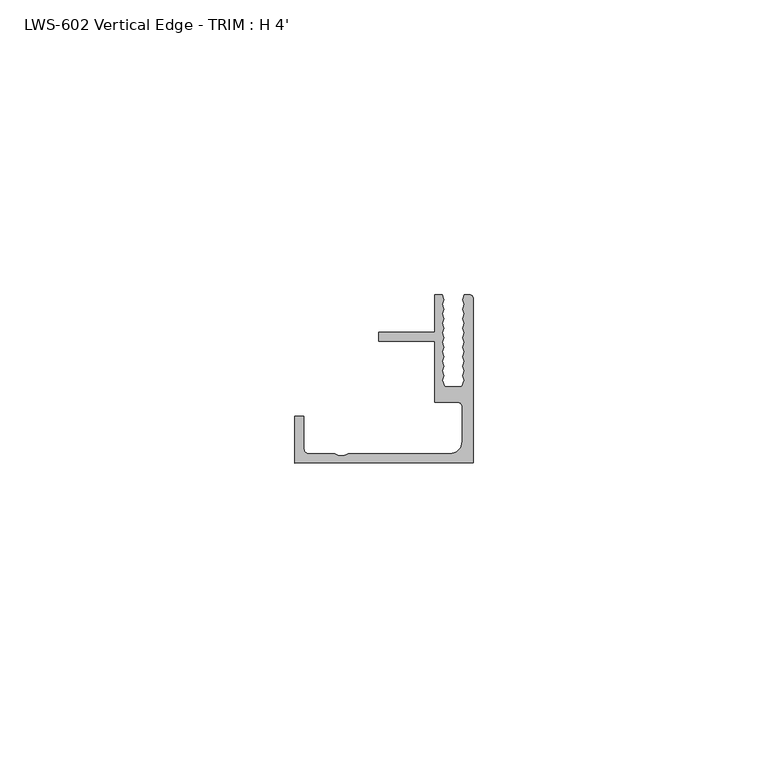
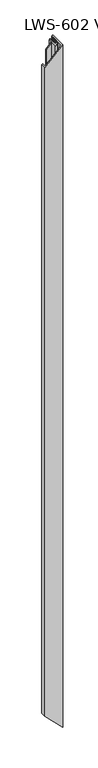
"""IFC4 building model written with IfcOpenShell, lengths in millimetres: proxy geometry, LWS-602 Vertical Edge - TRIM : H 4'."""

import ifcopenshell
import ifcopenshell.guid

model = None  # the IFC model being written
_history = None  # IfcOwnerHistory: only IFC2X3 demands one
_inside = {}  # id of a spatial element -> (the spatial element, [elements in it])
_under = {}  # id of a project, library or spatial element -> (it, [spatial elements below it])
_declared = {}  # id of a project -> (the project, [libraries it declares])
_typed = {}  # id of a type object -> (the type object, [elements of that type])
_made_of = {}  # id of a material, layer set ... -> (it, [elements and type objects made of it])


def new_model(schema):
    """Start an empty IFC model of exactly this schema.

    Asked for "IFC4X3", IfcOpenShell would pick the latest addendum, in which some entities
    have other attributes; the version numbers below select the first issue.
    IFC2X3 requires an IfcOwnerHistory on every rooted entity: one is made here for all.
    """
    global model, _history
    if schema == "IFC4X3":
        model = ifcopenshell.file(schema_version=(4, 3, 0, 0))
    else:
        model = ifcopenshell.file(schema=schema)
    _inside.clear()
    _under.clear()
    _declared.clear()
    _typed.clear()
    _made_of.clear()
    _history = None
    if model.schema == "IFC2X3":
        org = make("IfcOrganization", Name="unknown")
        user = make(
            "IfcPersonAndOrganization",
            ThePerson=make("IfcPerson", FamilyName="unknown"),
            TheOrganization=org,
        )
        app = make(
            "IfcApplication",
            ApplicationDeveloper=org,
            Version="unknown",
            ApplicationFullName="unknown",
            ApplicationIdentifier="unknown",
        )
        _history = make(
            "IfcOwnerHistory",
            OwningUser=user,
            OwningApplication=app,
            ChangeAction="ADDED",
            CreationDate=0,
        )
    return model


def make(cls, **values):
    """One entity of the class cls with the attributes given. An attribute that is None is left unset."""
    return model.create_entity(
        cls, **{name: value for name, value in values.items() if value is not None}
    )


def rooted(cls, **values):
    """An entity with a GlobalId (a new one), such as an element, a storey or a relation."""
    return make(cls, GlobalId=ifcopenshell.guid.new(), OwnerHistory=_history, **values)


def si_unit(unit_type, name, prefix=None):
    """IfcSIUnit, for example si_unit("LENGTHUNIT", "METRE", prefix="MILLI")."""
    return make("IfcSIUnit", UnitType=unit_type, Prefix=prefix, Name=name)


def assignment(units):
    """IfcUnitAssignment: the units of a project."""
    return None if units is None else make("IfcUnitAssignment", Units=units)


def point(xyz):
    """IfcCartesianPoint."""
    return None if xyz is None else make("IfcCartesianPoint", Coordinates=xyz)


def direction(xyz):
    """IfcDirection."""
    return None if xyz is None else make("IfcDirection", DirectionRatios=xyz)


def frame(location, z_axis=None, x_axis=None):
    """IfcAxis2Placement3D, a coordinate frame: its origin and axes. An axis left out is left unset."""
    return make(
        "IfcAxis2Placement3D",
        Location=point(location),
        Axis=direction(z_axis),
        RefDirection=direction(x_axis),
    )


def origin():
    """The frame at (0, 0, 0) with its axes left unset."""
    return frame((0.0, 0.0, 0.0))


def place(relative_to, where):
    """IfcLocalPlacement: puts the frame where relative to a parent placement (None: the world)."""
    return make(
        "IfcLocalPlacement", PlacementRelTo=relative_to, RelativePlacement=where
    )


def context(
    kind, dimensions, precision=None, world=None, true_north=None, identifier=None
):
    """IfcGeometricRepresentationContext, for example the 3D "Model" context."""
    return make(
        "IfcGeometricRepresentationContext",
        ContextIdentifier=identifier,
        ContextType=kind,
        CoordinateSpaceDimension=dimensions,
        Precision=precision,
        WorldCoordinateSystem=world,
        TrueNorth=true_north,
    )


def project(units=None, contexts=None):
    """IfcProject with its units and contexts."""
    return rooted(
        "IfcProject",
        Name="project",
        RepresentationContexts=contexts,
        UnitsInContext=assignment(units),
    )


def spatial(cls, under=None, at=None, **own):
    """A site, building, storey or space (cls), placed at a placement, below another one or the project."""
    s = rooted(cls, ObjectPlacement=at, **own)
    if under is not None:
        _under.setdefault(under.id(), (under, []))[1].append(s)
    return s


def polyline(points):
    """IfcPolyline through the points."""
    return make("IfcPolyline", Points=[point(p) for p in points])


def ellipse_curve(where, semi_axis1, semi_axis2):
    """IfcEllipse in the frame where."""
    return make(
        "IfcEllipse", Position=where, SemiAxis1=semi_axis1, SemiAxis2=semi_axis2
    )


def shape(context_of_items, identifier, shape_type, items):
    """IfcShapeRepresentation: the items that make up one representation, for example the "Body"."""
    return make(
        "IfcShapeRepresentation",
        ContextOfItems=context_of_items,
        RepresentationIdentifier=identifier,
        RepresentationType=shape_type,
        Items=items,
    )


def source(mapping_origin, context_of_items, identifier, shape_type, items):
    """IfcRepresentationMap: a shape defined once, which mapped items show again and again."""
    return make(
        "IfcRepresentationMap",
        MappingOrigin=mapping_origin,
        MappedRepresentation=shape(context_of_items, identifier, shape_type, items),
    )


def transform(
    local_origin,
    x_axis=None,
    y_axis=None,
    z_axis=None,
    scale=None,
    scale2=None,
    scale3=None,
    uniform=True,
):
    """IfcCartesianTransformationOperator3D, or its non-uniform kind. x_axis, y_axis, z_axis: its Axis1, 2, 3."""
    if uniform:
        return make(
            "IfcCartesianTransformationOperator3D",
            Axis1=direction(x_axis),
            Axis2=direction(y_axis),
            LocalOrigin=point(local_origin),
            Scale=scale,
            Axis3=direction(z_axis),
        )
    return make(
        "IfcCartesianTransformationOperator3DnonUniform",
        Axis1=direction(x_axis),
        Axis2=direction(y_axis),
        LocalOrigin=point(local_origin),
        Scale=scale,
        Axis3=direction(z_axis),
        Scale2=scale2,
        Scale3=scale3,
    )


def mapped(mapping_source, mapping_target):
    """IfcMappedItem: shows the shape of a source again, moved by a transform."""
    return make(
        "IfcMappedItem", MappingSource=mapping_source, MappingTarget=mapping_target
    )


def made_of(thing, what):
    """Note that an element or type object is made of a material, layer set ...; save() writes the relation."""
    if what is not None:
        _made_of.setdefault(what.id(), (what, []))[1].append(thing)
    return thing


def element(
    cls,
    number,
    at=None,
    inside=None,
    cuts=None,
    type_object=None,
    material=None,
    context=None,
    identifier="Body",
    shape_type=None,
    held_by="IfcProductDefinitionShape",
    body=None,
    shapes=None,
    **own,
):
    """One element of the class cls, such as IfcWall. Its Tag is "e" and its number.

    at: its placement. inside: the storey or other place that contains it. cuts: it is an
    opening in that element (IfcRelVoidsElement). A single representation is given by context,
    identifier, shape_type and body (its items); several are given by shapes. held_by: the class
    of the entity that holds the representations. save() writes the other relations.
    """
    e = rooted(cls, Tag="e%d" % number, ObjectPlacement=at, **own)
    if body is not None:
        shapes = [shape(context, identifier, shape_type, body)]
    if shapes is not None:
        e.Representation = make(held_by, Representations=shapes)
    if inside is not None:
        _inside.setdefault(inside.id(), (inside, []))[1].append(e)
    if cuts is not None:
        rooted(
            "IfcRelVoidsElement", RelatingBuildingElement=cuts, RelatedOpeningElement=e
        )
    if type_object is not None:
        _typed.setdefault(type_object.id(), (type_object, []))[1].append(e)
    return made_of(e, material)


def aggregate(whole, parts):
    """IfcRelAggregates: a whole, such as a stair, and the parts it consists of."""
    return rooted("IfcRelAggregates", RelatingObject=whole, RelatedObjects=parts)


def save(model, path):
    """Write the relations noted so far, then the file.

    IfcRelAggregates (storeys below a building ...), IfcRelContainedInSpatialStructure (elements
    in a storey), IfcRelDefinesByType, IfcRelAssociatesMaterial and IfcRelDeclares: one each for
    every whole, place, type object, material and project.
    """
    for whole, parts in _under.values():
        aggregate(whole, parts)
    for where, things in _inside.values():
        rooted(
            "IfcRelContainedInSpatialStructure",
            RelatedElements=things,
            RelatingStructure=where,
        )
    for kind, things in _typed.values():
        rooted("IfcRelDefinesByType", RelatedObjects=things, RelatingType=kind)
    for what, things in _made_of.values():
        rooted("IfcRelAssociatesMaterial", RelatedObjects=things, RelatingMaterial=what)
    for by, libraries in _declared.values():
        rooted("IfcRelDeclares", RelatingContext=by, RelatedDefinitions=libraries)
    model.write(path)


def plane_surface(at):
    """IfcPlane: the flat surface through the origin of the frame at, square to its z axis."""
    return make("IfcPlane", Position=at)


def cylinder_surface(at, radius):
    """IfcCylindricalSurface: all points at the distance radius from the z axis of the frame at."""
    return make("IfcCylindricalSurface", Position=at, Radius=radius)


def revolved_surface(curve, axis_point, axis_direction):
    """IfcSurfaceOfRevolution: the curve turned about the line through axis_point along axis_direction."""
    return make(
        "IfcSurfaceOfRevolution",
        SweptCurve=make("IfcArbitraryOpenProfileDef", ProfileType="CURVE", Curve=curve),
        AxisPosition=make("IfcAxis1Placement", Location=point(axis_point), Axis=direction(axis_direction)),
    )


def advanced_brep(points, edges, surfaces, faces):
    """IfcAdvancedBrep: a solid bounded by faces that lie on surfaces and meet in shared edges.

    An edge is (start, end): straight between two places in points (the first is 0);
    or (start, end, curve); or (start, end, curve, False) where it runs against its curve.
    A face is (place in surfaces, loops), or (place, loops, False) where it looks against
    its surface's normal. A loop lists edges by number (the first is 1), with a minus sign
    where the edge is run from its end to its start. The first loop is the outer one.
    """
    corners = [point(p) for p in points]
    vertices = [make("IfcVertexPoint", VertexGeometry=c) for c in corners]
    made = []
    for start, end, *more in edges:
        made.append(
            make(
                "IfcEdgeCurve",
                EdgeStart=vertices[start],
                EdgeEnd=vertices[end],
                EdgeGeometry=more[0] if more else make("IfcPolyline", Points=[corners[start], corners[end]]),
                SameSense=more[1] if len(more) > 1 else True,
            )
        )
    hull = []
    for where, loops, *sense in faces:
        bounds = []
        for j, loop in enumerate(loops):
            ring = [make("IfcOrientedEdge", EdgeElement=made[abs(k) - 1], Orientation=k > 0) for k in loop]
            bounds.append(
                make(
                    "IfcFaceOuterBound" if j == 0 else "IfcFaceBound",
                    Bound=make("IfcEdgeLoop", EdgeList=ring),
                    Orientation=True,
                )
            )
        hull.append(make("IfcAdvancedFace", Bounds=bounds, FaceSurface=surfaces[where], SameSense=sense[0] if sense else True))
    return make("IfcAdvancedBrep", Outer=make("IfcClosedShell", CfsFaces=hull))


def lws_602_vertical_edge_trim_h_4_7616fb98(model_context):
    return source(origin(), model_context, "Body", "AdvancedBrep", [
        advanced_brep(
        [(-28.7541017, 2.38252, 1190.4458983), (-27.9590817, 1.5875, 1191.2409183), (-27.9590817, 1.5875, 27.9590817), (-28.7541017, 2.38252, 28.7541017), (-23.5481533, 1.5875, 1195.6518467), (-23.5481533, 1.5875, 23.5481533), (-22.8349382, 1.2699562, 1196.3650618), (-22.8349382, 1.2699562, 22.8349382), (-21.9732651, 1.2699562, 1197.2267349), (-21.9732651, 1.2699562, 21.9732651), (-21.26005, 1.5875, 1197.93995), (-21.26005, 1.5875, 21.26005), (-4.0118983, 1.5875, 1215.1881017), (-4.0118983, 1.5875, 4.0118983), (-1.9163983, 3.683, 1217.2836017), (-1.9163983, 3.683, 1.9163983), (-1.9163983, 9.525, 1217.2836017), (-1.9163983, 9.525, 1.9163983), (-2.7114183, 10.32002, 1216.4885817), (-2.7114183, 10.32002, 2.7114183), (-6.5291017, 10.32002, 1212.6708983), (-6.5291017, 10.32002, 6.5291017), (-6.5291017, 20.6375, 1212.6708983), (-6.5291017, 20.6375, 6.5291017), (-16.0541017, 20.6375, 1203.1458983), (-16.0541017, 20.6375, 16.0541017), (-16.0541017, 22.225, 1203.1458983), (-16.0541017, 22.225, 16.0541017), (-6.5291017, 22.225, 1212.6708983), (-6.5291017, 22.225, 6.5291017), (-6.5291017, 28.575, 1212.6708983), (-6.5291017, 28.575, 6.5291017), (-5.2704999, 28.575, 1213.9295001), (-5.2704999, 28.575, 5.2704999), (-5.0164999, 27.727801, 1214.1835001), (-5.0164999, 27.727801, 5.0164999), (-5.2704999, 26.9589275, 1213.9295001), (-5.2704999, 26.9589275, 5.2704999), (-5.0164999, 26.1117286, 1214.1835001), (-5.0164999, 26.1117286, 5.0164999), (-5.2704999, 25.3428551, 1213.9295001), (-5.2704999, 25.3428551, 5.2704999), (-5.0164999, 24.4956561, 1214.1835001), (-5.0164999, 24.4956561, 5.0164999), (-5.2704999, 23.7267826, 1213.9295001), (-5.2704999, 23.7267826, 5.2704999), (-5.0164999, 22.8795836, 1214.1835001), (-5.0164999, 22.8795836, 5.0164999), (-5.2704999, 22.1107101, 1213.9295001), (-5.2704999, 22.1107101, 5.2704999), (-5.0164999, 21.2635111, 1214.1835001), (-5.0164999, 21.2635111, 5.0164999), (-5.2704999, 20.4946376, 1213.9295001), (-5.2704999, 20.4946376, 5.2704999), (-5.0164999, 19.6474387, 1214.1835001), (-5.0164999, 19.6474387, 5.0164999), (-5.2704999, 18.8785651, 1213.9295001), (-5.2704999, 18.8785651, 5.2704999), (-5.0164999, 18.0313662, 1214.1835001), (-5.0164999, 18.0313662, 5.0164999), (-5.2704999, 17.2624927, 1213.9295001), (-5.2704999, 17.2624927, 5.2704999), (-5.0164999, 16.4152937, 1214.1835001), (-5.0164999, 16.4152937, 5.0164999), (-5.2704999, 15.6464202, 1213.9295001), (-5.2704999, 15.6464202, 5.2704999), (-5.0164999, 14.7992212, 1214.1835001), (-5.0164999, 14.7992212, 5.0164999), (-5.2704999, 14.0303477, 1213.9295001), (-5.2704999, 14.0303477, 5.2704999), (-4.8894997, 12.954, 1214.3105003), (-4.8894997, 12.954, 4.8894997), (-1.9685003, 12.954, 1217.2314997), (-1.9685003, 12.954, 1.9685003), (-1.5875, 14.0303477, 1217.6125), (-1.5875, 14.0303477, 1.5875), (-1.8415, 14.7992212, 1217.3585), (-1.8415, 14.7992212, 1.8415), (-1.5875, 15.6464202, 1217.6125), (-1.5875, 15.6464202, 1.5875), (-1.8415, 16.4152937, 1217.3585), (-1.8415, 16.4152937, 1.8415), (-1.5875, 17.2624927, 1217.6125), (-1.5875, 17.2624927, 1.5875), (-1.8415, 18.0313662, 1217.3585), (-1.8415, 18.0313662, 1.8415), (-1.5875, 18.8785651, 1217.6125), (-1.5875, 18.8785651, 1.5875), (-1.8415, 19.6474387, 1217.3585), (-1.8415, 19.6474387, 1.8415), (-1.5875, 20.4946376, 1217.6125), (-1.5875, 20.4946376, 1.5875), (-1.8415, 21.2635111, 1217.3585), (-1.8415, 21.2635111, 1.8415), (-1.5875, 22.1107101, 1217.6125), (-1.5875, 22.1107101, 1.5875), (-1.8415, 22.8795836, 1217.3585), (-1.8415, 22.8795836, 1.8415), (-1.5875, 23.7267826, 1217.6125), (-1.5875, 23.7267826, 1.5875), (-1.8415, 24.4956561, 1217.3585), (-1.8415, 24.4956561, 1.8415), (-1.5875, 25.3428551, 1217.6125), (-1.5875, 25.3428551, 1.5875), (-1.8415, 26.1117286, 1217.3585), (-1.8415, 26.1117286, 1.8415), (-1.5875, 26.9589275, 1217.6125), (-1.5875, 26.9589275, 1.5875), (-1.8415, 27.727801, 1217.3585), (-1.8415, 27.727801, 1.8415), (-1.5875, 28.575, 1217.6125), (-1.5875, 28.575, 1.5875), (-0.79502, 28.575, 1218.40498), (-0.79502, 28.575, 0.79502), (0.0, 27.77998, 0.0), (0.0, 27.77998, 1219.2), (0.0, 0.0, 1219.2), (0.0, 0.0, 0.0), (-30.3416017, 0.0, 1188.8583983), (-30.3416017, 0.0, 30.3416017), (-30.3416017, 7.9375, 1188.8583983), (-30.3416017, 7.9375, 30.3416017), (-28.7541017, 7.9375, 1190.4458983), (-28.7541017, 7.9375, 28.7541017)],
        [
            (0, 1, ellipse_curve(frame((-27.9590817, 2.38252, 1191.2409183), z_axis=(-0.7071067811865499, 0.0, 0.7071067811865452), x_axis=(-0.7071067811865454, 0.0, -0.7071067811865498)), 1.1243281, 0.79502)),
            (1, 2),
            (2, 3, ellipse_curve(frame((-27.9590817, 2.38252, 27.9590817), z_axis=(-0.7071067811865491, 0.0, -0.7071067811865459), x_axis=(0.707106781186546, 0.0, -0.707106781186549)), 1.1243281, 0.79502)),
            (3, 0),
            (1, 4),
            (4, 5),
            (5, 2),
            (4, 6),
            (6, 7),
            (7, 5),
            (6, 8),
            (8, 9),
            (9, 7),
            (8, 10),
            (10, 11),
            (11, 9),
            (10, 12),
            (12, 13),
            (13, 11),
            (12, 14, ellipse_curve(frame((-4.0118983, 3.683, 1215.1881017), z_axis=(-0.7071067811865499, 0.0, 0.7071067811865452), x_axis=(-0.7071067811865454, 0.0, -0.7071067811865498)), 2.9634845, 2.0955)),
            (14, 15),
            (15, 13, ellipse_curve(frame((-4.0118983, 3.683, 4.0118983), z_axis=(-0.7071067811865491, 0.0, -0.7071067811865459), x_axis=(0.707106781186546, 0.0, -0.707106781186549)), 2.9634845, 2.0955)),
            (14, 16),
            (16, 17),
            (17, 15),
            (16, 18, ellipse_curve(frame((-2.7114183, 9.525, 1216.4885817), z_axis=(-0.7071067811865499, 0.0, 0.7071067811865452), x_axis=(-0.7071067811865454, 0.0, -0.7071067811865498)), 1.1243281, 0.79502)),
            (18, 19),
            (19, 17, ellipse_curve(frame((-2.7114183, 9.525, 2.7114183), z_axis=(-0.7071067811865491, 0.0, -0.7071067811865459), x_axis=(0.707106781186546, 0.0, -0.707106781186549)), 1.1243281, 0.79502)),
            (18, 20),
            (20, 21),
            (21, 19),
            (20, 22),
            (22, 23),
            (23, 21),
            (22, 24),
            (24, 25),
            (25, 23),
            (24, 26),
            (26, 27),
            (27, 25),
            (26, 28),
            (28, 29),
            (29, 27),
            (28, 30),
            (30, 31),
            (31, 29),
            (30, 32),
            (32, 33),
            (33, 31),
            (32, 34),
            (34, 35),
            (35, 33),
            (34, 36),
            (36, 37),
            (37, 35),
            (36, 38),
            (38, 39),
            (39, 37),
            (38, 40),
            (40, 41),
            (41, 39),
            (40, 42),
            (42, 43),
            (43, 41),
            (42, 44),
            (44, 45),
            (45, 43),
            (44, 46),
            (46, 47),
            (47, 45),
            (46, 48),
            (48, 49),
            (49, 47),
            (48, 50),
            (50, 51),
            (51, 49),
            (50, 52),
            (52, 53),
            (53, 51),
            (52, 54),
            (54, 55),
            (55, 53),
            (54, 56),
            (56, 57),
            (57, 55),
            (56, 58),
            (58, 59),
            (59, 57),
            (58, 60),
            (60, 61),
            (61, 59),
            (60, 62),
            (62, 63),
            (63, 61),
            (62, 64),
            (64, 65),
            (65, 63),
            (64, 66),
            (66, 67),
            (67, 65),
            (66, 68),
            (68, 69),
            (69, 67),
            (68, 70),
            (70, 71),
            (71, 69),
            (70, 72),
            (72, 73),
            (73, 71),
            (72, 74),
            (74, 75),
            (75, 73),
            (74, 76),
            (76, 77),
            (77, 75),
            (76, 78),
            (78, 79),
            (79, 77),
            (78, 80),
            (80, 81),
            (81, 79),
            (80, 82),
            (82, 83),
            (83, 81),
            (82, 84),
            (84, 85),
            (85, 83),
            (84, 86),
            (86, 87),
            (87, 85),
            (86, 88),
            (88, 89),
            (89, 87),
            (88, 90),
            (90, 91),
            (91, 89),
            (90, 92),
            (92, 93),
            (93, 91),
            (92, 94),
            (94, 95),
            (95, 93),
            (94, 96),
            (96, 97),
            (97, 95),
            (96, 98),
            (98, 99),
            (99, 97),
            (98, 100),
            (100, 101),
            (101, 99),
            (100, 102),
            (102, 103),
            (103, 101),
            (102, 104),
            (104, 105),
            (105, 103),
            (104, 106),
            (106, 107),
            (107, 105),
            (106, 108),
            (108, 109),
            (109, 107),
            (108, 110),
            (110, 111),
            (111, 109),
            (110, 112),
            (112, 113),
            (113, 111),
            (114, 113, ellipse_curve(frame((-0.79502, 27.77998, 0.79502), z_axis=(0.7071067811865491, 0.0, 0.7071067811865459), x_axis=(-0.707106781186546, 0.0, 0.707106781186549)), 1.1243281, 0.79502)),
            (112, 115, ellipse_curve(frame((-0.79502, 27.77998, 1218.40498), z_axis=(0.7071067811865499, 0.0, -0.7071067811865452), x_axis=(0.7071067811865454, 0.0, 0.7071067811865498)), 1.1243281, 0.79502)),
            (115, 114),
            (115, 116),
            (116, 117),
            (117, 114),
            (116, 118),
            (118, 119),
            (119, 117),
            (118, 120),
            (120, 121),
            (121, 119),
            (120, 122),
            (122, 123),
            (123, 121),
            (3, 123),
            (122, 0),
        ],
        [
            revolved_surface(polyline([(-27.9590817, 3.17754, 27.16406167621141), (-27.9590817, 3.17754, 1192.0359383237885)]), (-27.9590817, 2.38252, 0.0), (0.0, 0.0, -1.0)),
            plane_surface(frame((-27.9590817, 1.5875, 1219.2), z_axis=(0.0, 1.0, 0.0), x_axis=(0.0, 0.0, -1.0))),
            plane_surface(frame((-23.5481533, 1.5875, 1219.2), z_axis=(0.40673664307580587, 0.9135454576425984, 0.0), x_axis=(0.0, 0.0, -1.0))),
            plane_surface(frame((-22.8349382, 1.2699562, 1219.2), z_axis=(0.0, 1.0, 0.0), x_axis=(0.0, 0.0, -1.0))),
            plane_surface(frame((-21.9732651, 1.2699562, 1219.2), z_axis=(-0.4067366430757954, 0.9135454576426031, 0.0), x_axis=(0.0, 0.0, -1.0))),
            plane_surface(frame((-21.26005, 1.5875, 1219.2), z_axis=(0.0, 1.0, 0.0), x_axis=(0.0, 0.0, -1.0))),
            revolved_surface(polyline([(-4.0118983, 5.778499999999999, 1.9163983), (-4.0118983, 5.778499999999999, 1217.2836017)]), (-4.0118983, 3.683, 0.0), (0.0, 0.0, -1.0)),
            plane_surface(frame((-1.9163983, 3.683, 1219.2), z_axis=(-1.0, 0.0, 0.0), x_axis=(0.0, 0.0, -1.0))),
            revolved_surface(polyline([(-2.7114183, 10.32002, 1.9163982762114116), (-2.7114183, 10.32002, 1217.2836017237885)]), (-2.7114183, 9.525, 0.0), (0.0, 0.0, -1.0)),
            plane_surface(frame((-2.7114183, 10.32002, 1219.2), z_axis=(0.0, -1.0, 0.0), x_axis=(0.0, 0.0, -1.0))),
            plane_surface(frame((-6.5291017, 10.32002, 1219.2), z_axis=(-1.0, 0.0, 0.0), x_axis=(0.0, 0.0, -1.0))),
            plane_surface(frame((-6.5291017, 20.6375, 1219.2), z_axis=(0.0, -1.0, 0.0), x_axis=(0.0, 0.0, -1.0))),
            plane_surface(frame((-16.0541017, 20.6375, 1219.2), z_axis=(-1.0, 0.0, 0.0), x_axis=(0.0, 0.0, -1.0))),
            plane_surface(frame((-16.0541017, 22.225, 1219.2), z_axis=(0.0, 1.0, 0.0), x_axis=(0.0, 0.0, -1.0))),
            plane_surface(frame((-6.5291017, 22.225, 1219.2), z_axis=(-1.0, 0.0, 0.0), x_axis=(0.0, 0.0, -1.0))),
            plane_surface(frame((-6.5291017, 28.575, 1219.2), z_axis=(0.0, 1.0, 0.0), x_axis=(0.0, 0.0, -1.0))),
            plane_surface(frame((-5.2704999, 28.575, 1219.2), z_axis=(0.957875962978806, 0.287182241002861, 0.0), x_axis=(0.0, 0.0, -1.0))),
            plane_surface(frame((-5.0164999, 27.727801, 1219.2), z_axis=(0.949528731650732, -0.3136800723185204, 0.0), x_axis=(0.0, 0.0, -1.0))),
            plane_surface(frame((-5.2704999, 26.9589275, 1219.2), z_axis=(0.957875962978805, 0.28718224100286405, 0.0), x_axis=(0.0, 0.0, -1.0))),
            plane_surface(frame((-5.0164999, 26.1117286, 1219.2), z_axis=(0.9495287316507326, -0.3136800723185187, 0.0), x_axis=(0.0, 0.0, -1.0))),
            plane_surface(frame((-5.2704999, 25.3428551, 1219.2), z_axis=(0.9578759629788051, 0.287182241002864, 0.0), x_axis=(0.0, 0.0, -1.0))),
            plane_surface(frame((-5.0164999, 24.4956561, 1219.2), z_axis=(0.9495287316507325, -0.31368007231851897, 0.0), x_axis=(0.0, 0.0, -1.0))),
            plane_surface(frame((-5.2704999, 23.7267826, 1219.2), z_axis=(0.9578759629788056, 0.28718224100286194, 0.0), x_axis=(0.0, 0.0, -1.0))),
            plane_surface(frame((-5.0164999, 22.8795836, 1219.2), z_axis=(0.9495287316507326, -0.3136800723185189, 0.0), x_axis=(0.0, 0.0, -1.0))),
            plane_surface(frame((-5.2704999, 22.1107101, 1219.2), z_axis=(0.9578759629788056, 0.2871822410028619, 0.0), x_axis=(0.0, 0.0, -1.0))),
            plane_surface(frame((-5.0164999, 21.2635111, 1219.2), z_axis=(0.9495287316507327, -0.3136800723185185, 0.0), x_axis=(0.0, 0.0, -1.0))),
            plane_surface(frame((-5.2704999, 20.4946376, 1219.2), z_axis=(0.9578759629788056, 0.2871822410028621, 0.0), x_axis=(0.0, 0.0, -1.0))),
            plane_surface(frame((-5.0164999, 19.6474387, 1219.2), z_axis=(0.9495287316507324, -0.31368007231851935, 0.0), x_axis=(0.0, 0.0, -1.0))),
            plane_surface(frame((-5.2704999, 18.8785651, 1219.2), z_axis=(0.9578759629788055, 0.28718224100286227, 0.0), x_axis=(0.0, 0.0, -1.0))),
            plane_surface(frame((-5.0164999, 18.0313662, 1219.2), z_axis=(0.9495287316507325, -0.3136800723185189, 0.0), x_axis=(0.0, 0.0, -1.0))),
            plane_surface(frame((-5.2704999, 17.2624927, 1219.2), z_axis=(0.9578759629788055, 0.2871822410028625, 0.0), x_axis=(0.0, 0.0, -1.0))),
            plane_surface(frame((-5.0164999, 16.4152937, 1219.2), z_axis=(0.9495287316507325, -0.313680072318519, 0.0), x_axis=(0.0, 0.0, -1.0))),
            plane_surface(frame((-5.2704999, 15.6464202, 1219.2), z_axis=(0.9578759629788056, 0.28718224100286194, 0.0), x_axis=(0.0, 0.0, -1.0))),
            plane_surface(frame((-5.0164999, 14.7992212, 1219.2), z_axis=(0.9495287316507324, -0.3136800723185193, 0.0), x_axis=(0.0, 0.0, -1.0))),
            plane_surface(frame((-5.2704999, 14.0303477, 1219.2), z_axis=(0.9426840486106628, 0.33368665615365817, 0.0), x_axis=(0.0, 0.0, -1.0))),
            plane_surface(frame((-4.8894997, 12.954, 1219.2), z_axis=(0.0, 1.0, 0.0), x_axis=(0.0, 0.0, -1.0))),
            plane_surface(frame((-1.9685003, 12.954, 1219.2), z_axis=(-0.9426840486106589, 0.33368665615366894, 0.0), x_axis=(0.0, 0.0, -1.0))),
            plane_surface(frame((-1.5875, 14.0303477, 1219.2), z_axis=(-0.949528731650736, -0.3136800723185085, 0.0), x_axis=(0.0, 0.0, -1.0))),
            plane_surface(frame((-1.8415, 14.7992212, 1219.2), z_axis=(-0.9578759629788021, 0.2871822410028738, 0.0), x_axis=(0.0, 0.0, -1.0))),
            plane_surface(frame((-1.5875, 15.6464202, 1219.2), z_axis=(-0.9495287316507361, -0.3136800723185079, 0.0), x_axis=(0.0, 0.0, -1.0))),
            plane_surface(frame((-1.8415, 16.4152937, 1219.2), z_axis=(-0.957875962978802, 0.287182241002874, 0.0), x_axis=(0.0, 0.0, -1.0))),
            plane_surface(frame((-1.5875, 17.2624927, 1219.2), z_axis=(-0.9495287316507361, -0.31368007231850814, 0.0), x_axis=(0.0, 0.0, -1.0))),
            plane_surface(frame((-1.8415, 18.0313662, 1219.2), z_axis=(-0.9578759629788023, 0.28718224100287315, 0.0), x_axis=(0.0, 0.0, -1.0))),
            plane_surface(frame((-1.5875, 18.8785651, 1219.2), z_axis=(-0.9495287316507365, -0.3136800723185067, 0.0), x_axis=(0.0, 0.0, -1.0))),
            plane_surface(frame((-1.8415, 19.6474387, 1219.2), z_axis=(-0.9578759629788021, 0.28718224100287376, 0.0), x_axis=(0.0, 0.0, -1.0))),
            plane_surface(frame((-1.5875, 20.4946376, 1219.2), z_axis=(-0.9495287316507366, -0.31368007231850686, 0.0), x_axis=(0.0, 0.0, -1.0))),
            plane_surface(frame((-1.8415, 21.2635111, 1219.2), z_axis=(-0.9578759629788023, 0.28718224100287315, 0.0), x_axis=(0.0, 0.0, -1.0))),
            plane_surface(frame((-1.5875, 22.1107101, 1219.2), z_axis=(-0.9495287316507366, -0.3136800723185066, 0.0), x_axis=(0.0, 0.0, -1.0))),
            plane_surface(frame((-1.8415, 22.8795836, 1219.2), z_axis=(-0.9578759629788021, 0.2871822410028737, 0.0), x_axis=(0.0, 0.0, -1.0))),
            plane_surface(frame((-1.5875, 23.7267826, 1219.2), z_axis=(-0.9495287316507365, -0.31368007231850675, 0.0), x_axis=(0.0, 0.0, -1.0))),
            plane_surface(frame((-1.8415, 24.4956561, 1219.2), z_axis=(-0.9578759629788022, 0.2871822410028735, 0.0), x_axis=(0.0, 0.0, -1.0))),
            plane_surface(frame((-1.5875, 25.3428551, 1219.2), z_axis=(-0.9495287316507365, -0.313680072318507, 0.0), x_axis=(0.0, 0.0, -1.0))),
            plane_surface(frame((-1.8415, 26.1117286, 1219.2), z_axis=(-0.957875962978802, 0.287182241002874, 0.0), x_axis=(0.0, 0.0, -1.0))),
            plane_surface(frame((-1.5875, 26.9589275, 1219.2), z_axis=(-0.9495287316507365, -0.313680072318507, 0.0), x_axis=(0.0, 0.0, -1.0))),
            plane_surface(frame((-1.8415, 27.727801, 1219.2), z_axis=(-0.9578759629788021, 0.28718224100287365, 0.0), x_axis=(0.0, 0.0, -1.0))),
            plane_surface(frame((-1.5875, 28.575, 1219.2), z_axis=(0.0, 1.0, 0.0), x_axis=(0.0, 0.0, -1.0))),
            cylinder_surface(frame((-0.79502, 27.77998, 0.0), z_axis=(0.0, 0.0, 1.0), x_axis=(0.0, 1.0, 0.0)), 0.79502),
            plane_surface(frame((0.0, 27.77998, 1219.2), z_axis=(1.0, 0.0, 0.0), x_axis=(0.0, 0.0, -1.0))),
            plane_surface(frame((0.0, 0.0, 1219.2), z_axis=(0.0, -1.0, 0.0), x_axis=(0.0, 0.0, -1.0))),
            plane_surface(frame((-30.3416017, 0.0, 1219.2), z_axis=(-1.0, 0.0, 0.0), x_axis=(0.0, 0.0, -1.0))),
            plane_surface(frame((-30.3416017, 7.9375, 1219.2), z_axis=(0.0, 1.0, 0.0), x_axis=(0.0, 0.0, -1.0))),
            plane_surface(frame((-28.7541017, 7.9375, 1219.2), z_axis=(1.0, 0.0, 0.0), x_axis=(0.0, 0.0, -1.0))),
            plane_surface(frame((-30.3416017, 30.6440911, 1188.8583983), z_axis=(-0.7071067811865499, 0.0, 0.7071067811865452), x_axis=(0.0, -1.0, 0.0))),
            plane_surface(frame((0.0, 30.6440911, 0.0), z_axis=(-0.7071067811865491, 0.0, -0.7071067811865459), x_axis=(0.0, -1.0, 0.0))),
        ],
        [
            (0, [[1, 2, 3, 4]]),
            (1, [[5, 6, 7, -2]]),
            (2, [[8, 9, 10, -6]]),
            (3, [[11, 12, 13, -9]]),
            (4, [[14, 15, 16, -12]]),
            (5, [[17, 18, 19, -15]]),
            (6, [[20, 21, 22, -18]]),
            (7, [[23, 24, 25, -21]]),
            (8, [[26, 27, 28, -24]]),
            (9, [[29, 30, 31, -27]]),
            (10, [[32, 33, 34, -30]]),
            (11, [[35, 36, 37, -33]]),
            (12, [[38, 39, 40, -36]]),
            (13, [[41, 42, 43, -39]]),
            (14, [[44, 45, 46, -42]]),
            (15, [[47, 48, 49, -45]]),
            (16, [[50, 51, 52, -48]]),
            (17, [[53, 54, 55, -51]]),
            (18, [[56, 57, 58, -54]]),
            (19, [[59, 60, 61, -57]]),
            (20, [[62, 63, 64, -60]]),
            (21, [[65, 66, 67, -63]]),
            (22, [[68, 69, 70, -66]]),
            (23, [[71, 72, 73, -69]]),
            (24, [[74, 75, 76, -72]]),
            (25, [[77, 78, 79, -75]]),
            (26, [[80, 81, 82, -78]]),
            (27, [[83, 84, 85, -81]]),
            (28, [[86, 87, 88, -84]]),
            (29, [[89, 90, 91, -87]]),
            (30, [[92, 93, 94, -90]]),
            (31, [[95, 96, 97, -93]]),
            (32, [[98, 99, 100, -96]]),
            (33, [[101, 102, 103, -99]]),
            (34, [[104, 105, 106, -102]]),
            (35, [[107, 108, 109, -105]]),
            (36, [[110, 111, 112, -108]]),
            (37, [[113, 114, 115, -111]]),
            (38, [[116, 117, 118, -114]]),
            (39, [[119, 120, 121, -117]]),
            (40, [[122, 123, 124, -120]]),
            (41, [[125, 126, 127, -123]]),
            (42, [[128, 129, 130, -126]]),
            (43, [[131, 132, 133, -129]]),
            (44, [[134, 135, 136, -132]]),
            (45, [[137, 138, 139, -135]]),
            (46, [[140, 141, 142, -138]]),
            (47, [[143, 144, 145, -141]]),
            (48, [[146, 147, 148, -144]]),
            (49, [[149, 150, 151, -147]]),
            (50, [[152, 153, 154, -150]]),
            (51, [[155, 156, 157, -153]]),
            (52, [[158, 159, 160, -156]]),
            (53, [[161, 162, 163, -159]]),
            (54, [[164, 165, 166, -162]]),
            (55, [[167, 168, 169, -165]]),
            (56, [[170, -168, 171, 172]]),
            (57, [[173, 174, 175, -172]]),
            (58, [[176, 177, 178, -174]]),
            (59, [[179, 180, 181, -177]]),
            (60, [[182, 183, 184, -180]]),
            (61, [[185, -183, 186, -4]]),
            (62, [[-186, -182, -179, -176, -173, -171, -167, -164, -161, -158, -155, -152, -149, -146, -143, -140, -137, -134, -131, -128, -125, -122, -119, -116, -113, -110, -107, -104, -101, -98, -95, -92, -89, -86, -83, -80, -77, -74, -71, -68, -65, -62, -59, -56, -53, -50, -47, -44, -41, -38, -35, -32, -29, -26, -23, -20, -17, -14, -11, -8, -5, -1]]),
            (63, [[-7, -10, -13, -16, -19, -22, -25, -28, -31, -34, -37, -40, -43, -46, -49, -52, -55, -58, -61, -64, -67, -70, -73, -76, -79, -82, -85, -88, -91, -94, -97, -100, -103, -106, -109, -112, -115, -118, -121, -124, -127, -130, -133, -136, -139, -142, -145, -148, -151, -154, -157, -160, -163, -166, -169, -170, -175, -178, -181, -184, -185, -3]]),
        ],
    ),
    ])


if __name__ == "__main__":
    model = new_model("IFC4")
    model_context = context("Model", 3, world=origin())
    ifc_project = project(units=[si_unit("LENGTHUNIT", "METRE", prefix="MILLI")], contexts=[model_context])
    site = spatial("IfcSite", under=ifc_project)
    building = spatial("IfcBuilding", under=site)
    placement = place(None, origin())
    lws_602_vertical_edge_trim_h_4_shape = lws_602_vertical_edge_trim_h_4_7616fb98(model_context)
    element("IfcBuildingElementProxy", 1, Name="LWS-602 Vertical Edge - TRIM : H 4'", ObjectType="LWS-602 Vertical Edge - TRIM : H 4'", at=placement, inside=building, context=model_context, shape_type="MappedRepresentation", body=[
        mapped(lws_602_vertical_edge_trim_h_4_shape, transform((0.0, 0.0, 0.0), x_axis=(1.0, 0.0, 0.0), y_axis=(0.0, 1.0, 0.0), z_axis=(0.0, 0.0, 1.0))),
    ])
    save(model, "model.ifc")
